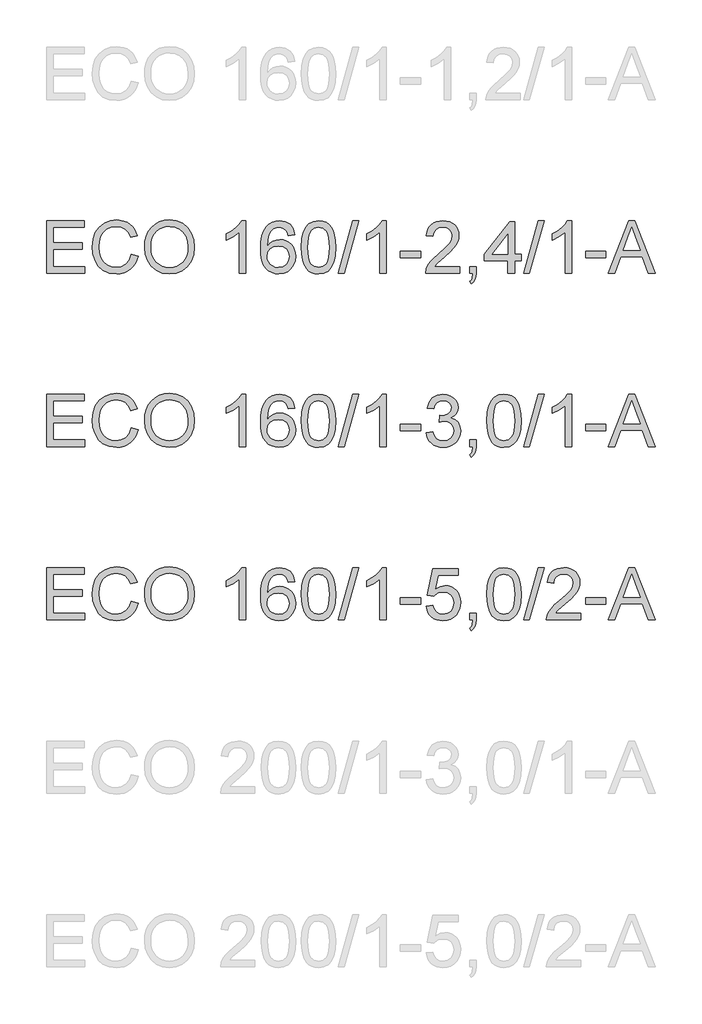
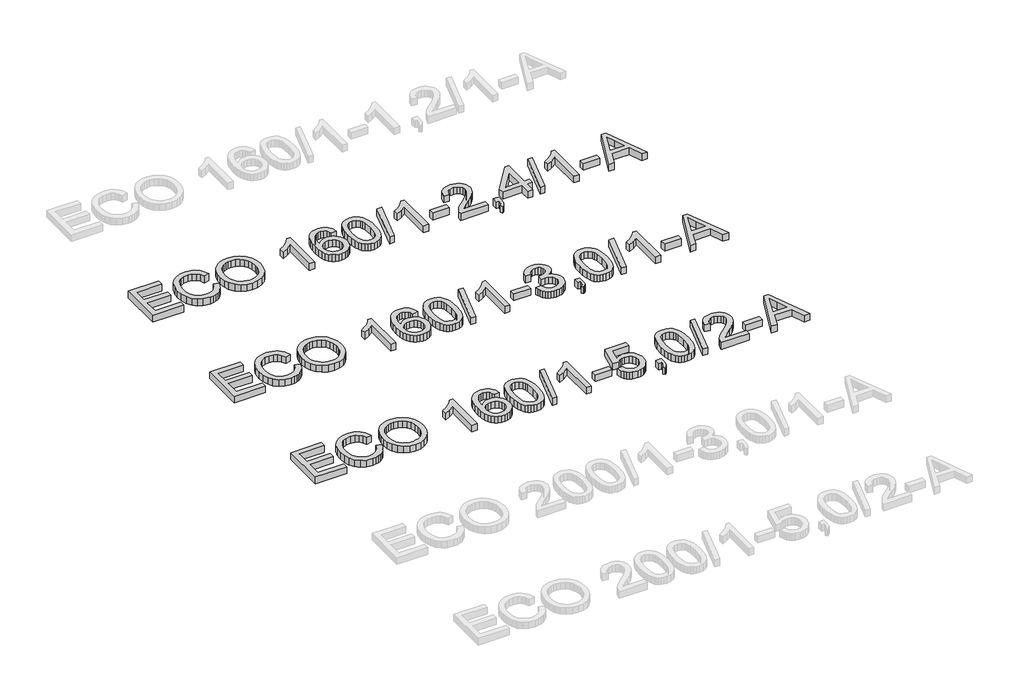
# One storey, part 35 of 74: 3 proxies.
"""IFC4 building model written with IfcOpenShell, lengths in millimetres."""

from ifc_helpers import new_model, si_unit, origin, origin_with_axes, place, context, project, spatial, polyline, outline, extrude, element, save

model = new_model("IFC4")

# Units and contexts
model_context = context("Model", 3, world=origin())
ifc_project = project(units=[si_unit("LENGTHUNIT", "METRE", prefix="MILLI")], contexts=[model_context])

# Site, building, storey
site = spatial("IfcSite", under=ifc_project)
building = spatial("IfcBuilding", under=site)
storey = spatial("IfcBuildingStorey", under=building, Elevation=0.0)

# Proxies
placement = place(None, origin())
element("IfcBuildingElementProxy", 1, Name="Generic Models", at=placement, inside=storey, context=model_context, shape_type="SweptSolid", body=[
    extrude(outline(polyline([(11765.719536, -4906.2904473), (11765.719536, -4604.9215169), (11982.3284547, -4604.9215169), (11982.3284547, -4642.5926332), (11803.3906523, -4642.5926332), (11803.3906523, -4732.0615344), (11972.9106757, -4732.0615344), (11972.9106757, -4769.7326507), (11803.3906523, -4769.7326507), (11803.3906523, -4868.619331), (11987.0373443, -4868.619331), (11987.0373443, -4906.2904473), (11765.719536, -4906.2904473)])), origin_with_axes(), (0.0, 0.0, 1.0), 50.0),
    extrude(outline(polyline([(12255.444048, -4799.1632103), (12293.1151643, -4808.875295), (12285.6609553, -4832.3024803), (12275.73274, -4852.7728141), (12263.3305182, -4870.2862963), (12248.4542901, -4884.842927), (12231.4397478, -4896.2863563), (12212.6225837, -4904.4602344), (12192.0027979, -4909.3645613), (12169.5803903, -4910.9993369), (12125.8852063, -4906.051324), (12091.1847371, -4891.2072855), (12064.5868689, -4866.9822562), (12045.1994877, -4833.8912707), (12033.3628845, -4794.9877497), (12029.4173501, -4753.3251137), (12033.8779193, -4709.3816094), (12047.2596269, -4671.4345816), (12068.8634971, -4640.6888439), (12097.990554, -4618.3492097), (12132.5346734, -4604.7467729), (12170.3897307, -4600.2126274), (12211.6936817, -4606.0803452), (12229.6624179, -4613.4149925), (12245.8423279, -4623.6834986), (12259.9666972, -4636.6145508), (12271.7688115, -4651.9368359), (12288.4062747, -4689.755105), (12250.7351584, -4698.7314257), (12237.6753476, -4671.2598377), (12219.8330708, -4652.4150825), (12196.9875989, -4641.5165784), (12168.9182027, -4637.8837437), (12136.5629812, -4641.9120515), (12109.9835071, -4653.996975), (12089.8143767, -4672.8693214), (12076.6901865, -4697.2598977), (12069.4888964, -4724.8326532), (12067.0884664, -4753.2515373), (12069.9303548, -4788.0531741), (12078.4560201, -4818.1459213), (12092.9873589, -4842.3801477), (12113.846268, -4859.6062222), (12138.8530466, -4869.897721), (12165.8279939, -4873.3282206), (12197.2727075, -4868.6561192), (12223.4751026, -4854.6398152), (12243.2579569, -4831.4264613), (12255.444048, -4799.1632103)])), origin_with_axes(), (0.0, 0.0, 1.0), 50.0),
    extrude(outline(polyline([(12330.7862806, -4759.5791077), (12333.2970752, -4724.2302465), (12340.829459, -4692.9372842), (12353.3834321, -4665.700221), (12370.9589944, -4642.5190568), (12392.5030838, -4624.0099939), (12416.9626379, -4610.7892347), (12444.3376569, -4602.8567792), (12474.6281407, -4600.2126274), (12514.1570611, -4605.1790343), (12549.6024913, -4620.0782551), (12579.0330509, -4643.8618261), (12600.5173594, -4675.4812836), (12613.6507467, -4713.4099173), (12618.0285424, -4756.1210169), (12613.4208204, -4799.4023336), (12599.5976544, -4837.8643962), (12577.3223996, -4869.539036), (12547.3584111, -4892.4580843), (12512.2164835, -4906.3640237), (12474.4074115, -4910.9993369), (12434.2714858, -4905.8765801), (12398.6237205, -4890.5083097), (12369.2667373, -4866.2832804), (12348.0031579, -4834.5902465), (12335.0904999, -4798.1239437), (12330.7862806, -4759.5791077)]), holes=[polyline([(12368.4573969, -4759.9469897), (12370.3404928, -4784.9215786), (12375.9897807, -4807.0910673), (12385.4052605, -4826.4554559), (12398.5869323, -4843.0147442), (12414.6104924, -4856.2768901), (12432.5516375, -4865.7498515), (12452.4103674, -4871.4336283), (12474.1866823, -4873.3282206), (12496.3354777, -4871.4152342), (12516.4287324, -4865.6762751), (12534.4664465, -4856.1113432), (12550.4486199, -4842.7204386), (12563.5337226, -4825.8116624), (12572.8802245, -4805.6931158), (12578.4881257, -4782.3647987), (12580.3574261, -4755.8267113), (12577.1568527, -4722.4782085), (12567.5551327, -4693.6546541), (12551.8005862, -4670.0826153), (12530.1415338, -4652.4886589), (12504.0127151, -4641.5349725), (12474.8488699, -4637.8837437), (12453.8290124, -4639.6426794), (12434.3266681, -4644.9194868), (12416.3418371, -4653.7141658), (12399.8745193, -4666.0267163), (12386.1295282, -4682.4503481), (12376.3116775, -4703.5782709), (12370.420967, -4729.4104848), (12368.4573969, -4759.9469897)])]), origin_with_axes(), (0.0, 0.0, 1.0), 50.0),
    extrude(outline(polyline([(12914.6885833, -4906.2904473), (12877.017467, -4906.2904473), (12877.017467, -4671.4345816), (12841.3329135, -4696.8552275), (12801.6752344, -4715.8747266), (12801.6752344, -4680.2637495), (12831.2621439, -4664.1689122), (12856.8943219, -4645.0206544), (12877.1002405, -4624.6583859), (12890.4083716, -4604.9215169), (12914.6885833, -4604.9215169), (12914.6885833, -4906.2904473)])), origin_with_axes(), (0.0, 0.0, 1.0), 50.0),
    extrude(outline(polyline([(13197.2219556, -4684.972639), (13159.5508393, -4689.6815286), (13153.4807864, -4671.0115173), (13145.2770179, -4658.2644062), (13128.1888992, -4646.5105764), (13107.5323252, -4642.5926332), (13090.0211422, -4644.8735016), (13073.5400288, -4651.7161067), (13059.3857691, -4666.1278838), (13047.8250774, -4685.9659204), (13040.016782, -4714.0261196), (13037.1197113, -4753.1043845), (13052.2304643, -4735.4736399), (13070.3394555, -4723.0484255), (13090.4350095, -4715.6815886), (13111.5054507, -4713.2259763), (13129.6052449, -4714.9044379), (13146.3070875, -4719.9398227), (13161.6109785, -4728.3321307), (13175.5169179, -4740.0813619), (13187.0730111, -4754.4885406), (13195.3273633, -4770.8546908), (13200.2799747, -4789.1798127), (13201.9308451, -4809.4639062), (13198.8222423, -4836.4388535), (13189.4964337, -4861.4456321), (13174.7259716, -4882.6540292), (13155.2834082, -4898.2338316), (13132.0516602, -4907.8079606), (13105.9136444, -4910.9993369), (13083.4567479, -4908.8840154), (13063.1749536, -4902.538051), (13045.0682617, -4891.9614436), (13029.136672, -4877.1541933), (13016.1481383, -4857.4909007), (13006.8706143, -4832.3461663), (13001.3040998, -4801.7199902), (12999.448595, -4765.6123724), (13001.5087342, -4725.1315573), (13007.6891517, -4690.5828395), (13017.9898476, -4661.9662188), (13032.4108218, -4639.2816952), (13048.041208, -4624.2491172), (13066.1639948, -4613.5115615), (13086.7791821, -4607.069028), (13109.88677, -4604.9215169), (13142.9409672, -4610.2374117), (13169.4100768, -4626.1850962), (13187.9513293, -4651.5137716), (13197.2219556, -4684.972639)]), holes=[polyline([(13037.1197113, -4808.875295), (13039.2994121, -4825.5679405), (13045.8385146, -4841.506428), (13055.9920577, -4855.2100323), (13069.0150803, -4865.1980285), (13084.7328385, -4871.2956725), (13102.9705884, -4873.3282206), (13127.8302143, -4869.1159717), (13147.3739453, -4856.4792252), (13160.0382829, -4836.6135975), (13164.2597288, -4810.714705), (13160.0934652, -4785.8550792), (13147.5946745, -4766.8999594), (13127.7198497, -4754.8978093), (13101.4254841, -4750.8970926), (13076.6026464, -4754.8978093), (13055.8449049, -4766.8999594), (13041.8010097, -4785.3952267), (13037.1197113, -4808.875295)])]), origin_with_axes(), (0.0, 0.0, 1.0), 50.0),
    extrude(outline(polyline([(13234.8930719, -4758.0340033), (13237.6613839, -4709.7954767), (13245.96632, -4671.324217), (13259.7251066, -4642.0316132), (13278.8549703, -4621.3290539), (13303.493867, -4609.0234011), (13333.7797522, -4604.9215169), (13356.9931061, -4607.3495381), (13377.7784388, -4614.6336016), (13395.1608631, -4626.4885989), (13408.1654916, -4642.6294214), (13417.9879409, -4662.9181134), (13425.8238274, -4687.2167192), (13430.9557812, -4718.0728216), (13432.6664325, -4758.0340033), (13429.9257117, -4805.9966184), (13421.7035491, -4844.3759076), (13408.0275359, -4873.6961026), (13388.9252633, -4894.4814353), (13364.2311844, -4906.8698615), (13333.7797522, -4910.9993369), (13313.0312077, -4909.2059122), (13294.6371079, -4903.825638), (13278.5974529, -4894.8585143), (13264.9122427, -4882.3045413), (13251.7788555, -4859.6108207), (13242.3978646, -4831.3344908), (13236.7692701, -4797.4755517), (13234.8930719, -4758.0340033)]), holes=[polyline([(13272.5641882, -4757.9604269), (13276.9787722, -4817.2170193), (13282.4970021, -4837.4850179), (13290.222524, -4851.5128183), (13309.9409989, -4867.87437), (13333.7797522, -4873.3282206), (13357.6185055, -4867.8559759), (13377.3369805, -4851.4392419), (13385.0625023, -4837.3884489), (13390.5807323, -4817.1250488), (13394.9953162, -4757.9604269), (13390.7278851, -4700.0374067), (13385.3935961, -4679.8360867), (13377.9255916, -4665.4748933), (13358.2439049, -4648.3131982), (13333.3382938, -4642.5926332), (13309.7570579, -4647.6326165), (13290.8111352, -4662.7525665), (13282.8280959, -4678.3875513), (13277.125925, -4699.4671897), (13272.5641882, -4757.9604269)])]), origin_with_axes(), (0.0, 0.0, 1.0), 50.0),
    extrude(outline(polyline([(13446.7931011, -4906.2904473), (13531.5531128, -4604.9215169), (13565.5454092, -4604.9215169), (13480.7853975, -4906.2904473), (13446.7931011, -4906.2904473)])), origin_with_axes(), (0.0, 0.0, 1.0), 50.0),
    extrude(outline(polyline([(13724.6175839, -4906.2904473), (13686.9464676, -4906.2904473), (13686.9464676, -4671.4345816), (13651.2619141, -4696.8552275), (13611.604235, -4715.8747266), (13611.604235, -4680.2637495), (13641.1911444, -4664.1689122), (13666.8233225, -4645.0206544), (13687.029241, -4624.6583859), (13700.3373722, -4604.9215169), (13724.6175839, -4604.9215169), (13724.6175839, -4906.2904473)])), origin_with_axes(), (0.0, 0.0, 1.0), 50.0),
    extrude(outline(polyline([(13804.668706, -4816.8215461), (13804.668706, -4779.1504298), (13922.3909445, -4779.1504298), (13922.3909445, -4816.8215461), (13804.668706, -4816.8215461)])), origin_with_axes(), (0.0, 0.0, 1.0), 50.0),
    extrude(outline(polyline([(14148.4176423, -4868.619331), (14148.4176423, -4906.2904473), (13950.6442817, -4906.2904473), (13954.6909837, -4880.3179785), (13963.9800041, -4860.0200894), (13977.5732438, -4840.3292056), (13997.2365364, -4819.7186168), (14024.7357156, -4796.6616128), (14065.386676, -4760.553995), (14089.7772523, -4733.9009444), (14101.9725404, -4712.2694831), (14106.0376365, -4691.226633), (14102.2024667, -4672.3634837), (14090.6969573, -4656.6825136), (14073.0110304, -4646.1151033), (14050.634608, -4642.5926332), (14027.1361456, -4646.0323299), (14008.8800016, -4656.3514198), (13997.0985807, -4672.7405627), (13993.0242876, -4694.3904181), (13955.3531713, -4689.6815286), (13964.4858418, -4653.242817), (13973.0322004, -4638.7068796), (13984.2319079, -4626.6265546), (13997.8274469, -4617.1306006), (14013.5613, -4610.3477763), (14051.4439484, -4604.9215169), (14071.6337722, -4606.4298331), (14089.6025084, -4610.9547816), (14105.350157, -4618.4963625), (14118.8767181, -4629.0545758), (14129.7407333, -4641.8476722), (14137.5007441, -4656.0939024), (14142.1567506, -4671.7932666), (14143.7087528, -4688.9457646), (14142.0348897, -4706.9627853), (14137.0133005, -4724.6671063), (14128.1013592, -4742.67493), (14114.7564398, -4761.6024586), (14093.4836634, -4784.1996102), (14060.7881511, -4813.2163026), (14017.4516521, -4849.4526791), (14000.4555039, -4868.619331), (14148.4176423, -4868.619331)])), origin_with_axes(), (0.0, 0.0, 1.0), 50.0),
    extrude(outline(polyline([(14204.9243168, -4906.2904473), (14204.9243168, -4868.619331), (14242.5954331, -4868.619331), (14242.5954331, -4906.2904473), (14240.9031759, -4927.8391352), (14235.8264044, -4944.8076922), (14227.0708129, -4957.8215178), (14214.3420959, -4967.5060113), (14204.9243168, -4953.3793427), (14213.0912971, -4946.5551317), (14218.7566798, -4937.1189585), (14223.6862986, -4906.2904473), (14204.9243168, -4906.2904473)])), origin_with_axes(), (0.0, 0.0, 1.0), 50.0),
    extrude(outline(polyline([(14426.2421251, -4906.2904473), (14426.2421251, -4835.6571043), (14289.6843285, -4835.6571043), (14289.6843285, -4797.985988), (14435.6599042, -4609.6304064), (14463.9132414, -4609.6304064), (14463.9132414, -4797.985988), (14501.5843577, -4797.985988), (14501.5843577, -4835.6571043), (14463.9132414, -4835.6571043), (14463.9132414, -4906.2904473), (14426.2421251, -4906.2904473)]), holes=[polyline([(14426.2421251, -4797.985988), (14426.2421251, -4681.5881247), (14336.0374599, -4797.985988), (14426.2421251, -4797.985988)])]), origin_with_axes(), (0.0, 0.0, 1.0), 50.0),
    extrude(outline(polyline([(14515.7110263, -4906.2904473), (14600.471038, -4604.9215169), (14634.4633344, -4604.9215169), (14549.7033227, -4906.2904473), (14515.7110263, -4906.2904473)])), origin_with_axes(), (0.0, 0.0, 1.0), 50.0),
    extrude(outline(polyline([(14793.5355091, -4906.2904473), (14755.8643928, -4906.2904473), (14755.8643928, -4671.4345816), (14720.1798392, -4696.8552275), (14680.5221602, -4715.8747266), (14680.5221602, -4680.2637495), (14710.1090696, -4664.1689122), (14735.7412476, -4645.0206544), (14755.9471662, -4624.6583859), (14769.2552974, -4604.9215169), (14793.5355091, -4604.9215169), (14793.5355091, -4906.2904473)])), origin_with_axes(), (0.0, 0.0, 1.0), 50.0),
    extrude(outline(polyline([(14873.5866312, -4816.8215461), (14873.5866312, -4779.1504298), (14991.3088697, -4779.1504298), (14991.3088697, -4816.8215461), (14873.5866312, -4816.8215461)])), origin_with_axes(), (0.0, 0.0, 1.0), 50.0),
    extrude(outline(polyline([(15003.3018227, -4906.2904473), (15123.5992352, -4604.9215169), (15155.6785451, -4604.9215169), (15275.9759576, -4906.2904473), (15236.1711257, -4906.2904473), (15201.6637945, -4812.1126566), (15077.5404094, -4812.1126566), (15043.1066546, -4906.2904473), (15003.3018227, -4906.2904473)]), holes=[polyline([(15091.3727724, -4774.4415403), (15187.9050079, -4774.4415403), (15160.7553167, -4700.3501064), (15139.6388901, -4642.5926332), (15120.8769084, -4693.8753833), (15091.3727724, -4774.4415403)])]), origin_with_axes(), (0.0, 0.0, 1.0), 50.0),
])
element("IfcBuildingElementProxy", 2, Name="Generic Models", at=placement, inside=storey, context=model_context, shape_type="SweptSolid", body=[
    extrude(outline(polyline([(11765.719536, -5906.2904473), (11765.719536, -5604.9215169), (11982.3284547, -5604.9215169), (11982.3284547, -5642.5926332), (11803.3906523, -5642.5926332), (11803.3906523, -5732.0615344), (11972.9106757, -5732.0615344), (11972.9106757, -5769.7326507), (11803.3906523, -5769.7326507), (11803.3906523, -5868.619331), (11987.0373443, -5868.619331), (11987.0373443, -5906.2904473), (11765.719536, -5906.2904473)])), origin_with_axes(), (0.0, 0.0, 1.0), 50.0),
    extrude(outline(polyline([(12255.444048, -5799.1632103), (12293.1151643, -5808.875295), (12285.6609553, -5832.3024803), (12275.73274, -5852.7728141), (12263.3305182, -5870.2862963), (12248.4542901, -5884.842927), (12231.4397478, -5896.2863563), (12212.6225837, -5904.4602344), (12192.0027979, -5909.3645613), (12169.5803903, -5910.9993369), (12125.8852063, -5906.051324), (12091.1847371, -5891.2072855), (12064.5868689, -5866.9822562), (12045.1994877, -5833.8912707), (12033.3628845, -5794.9877497), (12029.4173501, -5753.3251137), (12033.8779193, -5709.3816094), (12047.2596269, -5671.4345816), (12068.8634971, -5640.6888439), (12097.990554, -5618.3492097), (12132.5346734, -5604.7467729), (12170.3897307, -5600.2126274), (12211.6936817, -5606.0803452), (12229.6624179, -5613.4149925), (12245.8423279, -5623.6834986), (12259.9666972, -5636.6145508), (12271.7688115, -5651.9368359), (12288.4062747, -5689.755105), (12250.7351584, -5698.7314257), (12237.6753476, -5671.2598377), (12219.8330708, -5652.4150825), (12196.9875989, -5641.5165784), (12168.9182027, -5637.8837437), (12136.5629812, -5641.9120515), (12109.9835071, -5653.996975), (12089.8143767, -5672.8693214), (12076.6901865, -5697.2598977), (12069.4888964, -5724.8326532), (12067.0884664, -5753.2515373), (12069.9303548, -5788.0531741), (12078.4560201, -5818.1459213), (12092.9873589, -5842.3801477), (12113.846268, -5859.6062222), (12138.8530466, -5869.897721), (12165.8279939, -5873.3282206), (12197.2727075, -5868.6561192), (12223.4751026, -5854.6398152), (12243.2579569, -5831.4264613), (12255.444048, -5799.1632103)])), origin_with_axes(), (0.0, 0.0, 1.0), 50.0),
    extrude(outline(polyline([(12330.7862806, -5759.5791077), (12333.2970752, -5724.2302465), (12340.829459, -5692.9372842), (12353.3834321, -5665.700221), (12370.9589944, -5642.5190568), (12392.5030838, -5624.0099939), (12416.9626379, -5610.7892347), (12444.3376569, -5602.8567792), (12474.6281407, -5600.2126274), (12514.1570611, -5605.1790343), (12549.6024913, -5620.0782551), (12579.0330509, -5643.8618261), (12600.5173594, -5675.4812836), (12613.6507467, -5713.4099173), (12618.0285424, -5756.1210169), (12613.4208204, -5799.4023336), (12599.5976544, -5837.8643962), (12577.3223996, -5869.539036), (12547.3584111, -5892.4580843), (12512.2164835, -5906.3640237), (12474.4074115, -5910.9993369), (12434.2714858, -5905.8765801), (12398.6237205, -5890.5083097), (12369.2667373, -5866.2832804), (12348.0031579, -5834.5902465), (12335.0904999, -5798.1239437), (12330.7862806, -5759.5791077)]), holes=[polyline([(12368.4573969, -5759.9469897), (12370.3404928, -5784.9215786), (12375.9897807, -5807.0910673), (12385.4052605, -5826.4554559), (12398.5869323, -5843.0147442), (12414.6104924, -5856.2768901), (12432.5516375, -5865.7498515), (12452.4103674, -5871.4336283), (12474.1866823, -5873.3282206), (12496.3354777, -5871.4152342), (12516.4287324, -5865.6762751), (12534.4664465, -5856.1113432), (12550.4486199, -5842.7204386), (12563.5337226, -5825.8116624), (12572.8802245, -5805.6931158), (12578.4881257, -5782.3647987), (12580.3574261, -5755.8267113), (12577.1568527, -5722.4782085), (12567.5551327, -5693.6546541), (12551.8005862, -5670.0826153), (12530.1415338, -5652.4886589), (12504.0127151, -5641.5349725), (12474.8488699, -5637.8837437), (12453.8290124, -5639.6426794), (12434.3266681, -5644.9194868), (12416.3418371, -5653.7141658), (12399.8745193, -5666.0267163), (12386.1295282, -5682.4503481), (12376.3116775, -5703.5782709), (12370.420967, -5729.4104848), (12368.4573969, -5759.9469897)])]), origin_with_axes(), (0.0, 0.0, 1.0), 50.0),
    extrude(outline(polyline([(12914.6885833, -5906.2904473), (12877.017467, -5906.2904473), (12877.017467, -5671.4345816), (12841.3329135, -5696.8552275), (12801.6752344, -5715.8747266), (12801.6752344, -5680.2637495), (12831.2621439, -5664.1689122), (12856.8943219, -5645.0206544), (12877.1002405, -5624.6583859), (12890.4083716, -5604.9215169), (12914.6885833, -5604.9215169), (12914.6885833, -5906.2904473)])), origin_with_axes(), (0.0, 0.0, 1.0), 50.0),
    extrude(outline(polyline([(13197.2219556, -5684.972639), (13159.5508393, -5689.6815286), (13153.4807864, -5671.0115173), (13145.2770179, -5658.2644062), (13128.1888992, -5646.5105764), (13107.5323252, -5642.5926332), (13090.0211422, -5644.8735016), (13073.5400288, -5651.7161067), (13059.3857691, -5666.1278838), (13047.8250774, -5685.9659204), (13040.016782, -5714.0261196), (13037.1197113, -5753.1043845), (13052.2304643, -5735.4736399), (13070.3394555, -5723.0484255), (13090.4350095, -5715.6815886), (13111.5054507, -5713.2259763), (13129.6052449, -5714.9044379), (13146.3070875, -5719.9398227), (13161.6109785, -5728.3321307), (13175.5169179, -5740.0813619), (13187.0730111, -5754.4885406), (13195.3273633, -5770.8546908), (13200.2799747, -5789.1798127), (13201.9308451, -5809.4639062), (13198.8222423, -5836.4388535), (13189.4964337, -5861.4456321), (13174.7259716, -5882.6540292), (13155.2834082, -5898.2338316), (13132.0516602, -5907.8079606), (13105.9136444, -5910.9993369), (13083.4567479, -5908.8840154), (13063.1749536, -5902.538051), (13045.0682617, -5891.9614436), (13029.136672, -5877.1541933), (13016.1481383, -5857.4909007), (13006.8706143, -5832.3461663), (13001.3040998, -5801.7199902), (12999.448595, -5765.6123724), (13001.5087342, -5725.1315573), (13007.6891517, -5690.5828395), (13017.9898476, -5661.9662188), (13032.4108218, -5639.2816952), (13048.041208, -5624.2491172), (13066.1639948, -5613.5115615), (13086.7791821, -5607.069028), (13109.88677, -5604.9215169), (13142.9409672, -5610.2374117), (13169.4100768, -5626.1850962), (13187.9513293, -5651.5137716), (13197.2219556, -5684.972639)]), holes=[polyline([(13037.1197113, -5808.875295), (13039.2994121, -5825.5679405), (13045.8385146, -5841.506428), (13055.9920577, -5855.2100323), (13069.0150803, -5865.1980285), (13084.7328385, -5871.2956725), (13102.9705884, -5873.3282206), (13127.8302143, -5869.1159717), (13147.3739453, -5856.4792252), (13160.0382829, -5836.6135975), (13164.2597288, -5810.714705), (13160.0934652, -5785.8550792), (13147.5946745, -5766.8999594), (13127.7198497, -5754.8978093), (13101.4254841, -5750.8970926), (13076.6026464, -5754.8978093), (13055.8449049, -5766.8999594), (13041.8010097, -5785.3952267), (13037.1197113, -5808.875295)])]), origin_with_axes(), (0.0, 0.0, 1.0), 50.0),
    extrude(outline(polyline([(13234.8930719, -5758.0340033), (13237.6613839, -5709.7954767), (13245.96632, -5671.324217), (13259.7251066, -5642.0316132), (13278.8549703, -5621.3290539), (13303.493867, -5609.0234011), (13333.7797522, -5604.9215169), (13356.9931061, -5607.3495381), (13377.7784388, -5614.6336016), (13395.1608631, -5626.4885989), (13408.1654916, -5642.6294214), (13417.9879409, -5662.9181134), (13425.8238274, -5687.2167192), (13430.9557812, -5718.0728216), (13432.6664325, -5758.0340033), (13429.9257117, -5805.9966184), (13421.7035491, -5844.3759076), (13408.0275359, -5873.6961026), (13388.9252633, -5894.4814353), (13364.2311844, -5906.8698615), (13333.7797522, -5910.9993369), (13313.0312077, -5909.2059122), (13294.6371079, -5903.825638), (13278.5974529, -5894.8585143), (13264.9122427, -5882.3045413), (13251.7788555, -5859.6108207), (13242.3978646, -5831.3344908), (13236.7692701, -5797.4755517), (13234.8930719, -5758.0340033)]), holes=[polyline([(13272.5641882, -5757.9604269), (13276.9787722, -5817.2170193), (13282.4970021, -5837.4850179), (13290.222524, -5851.5128183), (13309.9409989, -5867.87437), (13333.7797522, -5873.3282206), (13357.6185055, -5867.8559759), (13377.3369805, -5851.4392419), (13385.0625023, -5837.3884489), (13390.5807323, -5817.1250488), (13394.9953162, -5757.9604269), (13390.7278851, -5700.0374067), (13385.3935961, -5679.8360867), (13377.9255916, -5665.4748933), (13358.2439049, -5648.3131982), (13333.3382938, -5642.5926332), (13309.7570579, -5647.6326165), (13290.8111352, -5662.7525665), (13282.8280959, -5678.3875513), (13277.125925, -5699.4671897), (13272.5641882, -5757.9604269)])]), origin_with_axes(), (0.0, 0.0, 1.0), 50.0),
    extrude(outline(polyline([(13446.7931011, -5906.2904473), (13531.5531128, -5604.9215169), (13565.5454092, -5604.9215169), (13480.7853975, -5906.2904473), (13446.7931011, -5906.2904473)])), origin_with_axes(), (0.0, 0.0, 1.0), 50.0),
    extrude(outline(polyline([(13724.6175839, -5906.2904473), (13686.9464676, -5906.2904473), (13686.9464676, -5671.4345816), (13651.2619141, -5696.8552275), (13611.604235, -5715.8747266), (13611.604235, -5680.2637495), (13641.1911444, -5664.1689122), (13666.8233225, -5645.0206544), (13687.029241, -5624.6583859), (13700.3373722, -5604.9215169), (13724.6175839, -5604.9215169), (13724.6175839, -5906.2904473)])), origin_with_axes(), (0.0, 0.0, 1.0), 50.0),
    extrude(outline(polyline([(13804.668706, -5816.8215461), (13804.668706, -5779.1504298), (13922.3909445, -5779.1504298), (13922.3909445, -5816.8215461), (13804.668706, -5816.8215461)])), origin_with_axes(), (0.0, 0.0, 1.0), 50.0),
    extrude(outline(polyline([(13955.3531713, -5826.2393252), (13993.0242876, -5821.5304357), (14001.4579823, -5845.203642), (14013.8096203, -5861.1881147), (14030.6862068, -5870.2931941), (14052.6947472, -5873.3282206), (14078.5200633, -5869.1527599), (14098.4592674, -5856.626378), (14111.2063785, -5837.9379726), (14115.4554156, -5815.2764417), (14111.2431667, -5793.7645421), (14098.6064202, -5776.3177384), (14079.4765564, -5764.7570467), (14055.784956, -5760.9034828), (14029.3710287, -5765.0237612), (14033.5648834, -5727.3526449), (14039.5981482, -5727.7941033), (14062.1677086, -5725.0901706), (14082.346036, -5716.9783726), (14096.5830692, -5703.2563742), (14101.328747, -5683.7218403), (14097.8890503, -5667.452259), (14087.5699603, -5654.2544924), (14071.8246109, -5645.508098), (14052.106136, -5642.5926332), (14032.3508729, -5645.5356892), (14016.2008533, -5654.364857), (14004.4102353, -5669.0801369), (13997.7331771, -5689.6815286), (13960.0620608, -5684.972639), (13971.153703, -5651.1458896), (13990.890572, -5625.8907906), (14017.8931105, -5610.1638353), (14050.7817608, -5604.9215169), (14074.4641643, -5607.5058879), (14096.2151872, -5615.259001), (14114.5541047, -5627.4910773), (14128.0001916, -5643.5123382), (14136.2499454, -5661.9708173), (14138.9998633, -5681.5145483), (14136.3879011, -5699.724707), (14128.5520146, -5716.2426086), (14115.6025684, -5730.3140949), (14097.649927, -5741.1850079), (14121.2311629, -5750.7131516), (14138.7055577, -5766.9367476), (14149.5212883, -5788.9728791), (14153.1265319, -5815.9386293), (14151.3239101, -5835.050099), (14145.9160448, -5852.6532524), (14136.9029359, -5868.7480897), (14124.2845835, -5883.3346108), (14108.9117146, -5895.4379285), (14091.6350564, -5904.0831554), (14072.4546089, -5909.2702915), (14051.370372, -5910.9993369), (14032.3140847, -5909.5232104), (14014.9500545, -5905.0948309), (13999.2782815, -5897.7141983), (13985.2987657, -5887.3813128), (13973.5771256, -5874.7031795), (13964.6789798, -5860.2868038), (13958.6043284, -5844.1321857), (13955.3531713, -5826.2393252)])), origin_with_axes(), (0.0, 0.0, 1.0), 50.0),
    extrude(outline(polyline([(14204.9243168, -5906.2904473), (14204.9243168, -5868.619331), (14242.5954331, -5868.619331), (14242.5954331, -5906.2904473), (14240.9031759, -5927.8391352), (14235.8264044, -5944.8076922), (14227.0708129, -5957.8215178), (14214.3420959, -5967.5060113), (14204.9243168, -5953.3793427), (14213.0912971, -5946.5551317), (14218.7566798, -5937.1189585), (14223.6862986, -5906.2904473), (14204.9243168, -5906.2904473)])), origin_with_axes(), (0.0, 0.0, 1.0), 50.0),
    extrude(outline(polyline([(14303.8109971, -5758.0340033), (14306.5793091, -5709.7954767), (14314.8842452, -5671.324217), (14328.6430318, -5642.0316132), (14347.7728955, -5621.3290539), (14372.4117922, -5609.0234011), (14402.6976774, -5604.9215169), (14425.9110313, -5607.3495381), (14446.696364, -5614.6336016), (14464.0787883, -5626.4885989), (14477.0834168, -5642.6294214), (14486.9058661, -5662.9181134), (14494.7417526, -5687.2167192), (14499.8737064, -5718.0728216), (14501.5843577, -5758.0340033), (14498.8436368, -5805.9966184), (14490.6214743, -5844.3759076), (14476.9454611, -5873.6961026), (14457.8431885, -5894.4814353), (14433.1491096, -5906.8698615), (14402.6976774, -5910.9993369), (14381.9491329, -5909.2059122), (14363.5550331, -5903.825638), (14347.5153781, -5894.8585143), (14333.8301679, -5882.3045413), (14320.6967807, -5859.6108207), (14311.3157898, -5831.3344908), (14305.6871953, -5797.4755517), (14303.8109971, -5758.0340033)]), holes=[polyline([(14341.4821134, -5757.9604269), (14345.8966974, -5817.2170193), (14351.4149273, -5837.4850179), (14359.1404492, -5851.5128183), (14378.8589241, -5867.87437), (14402.6976774, -5873.3282206), (14426.5364307, -5867.8559759), (14446.2549056, -5851.4392419), (14453.9804275, -5837.3884489), (14459.4986575, -5817.1250488), (14463.9132414, -5757.9604269), (14459.6458103, -5700.0374067), (14454.3115213, -5679.8360867), (14446.8435168, -5665.4748933), (14427.1618301, -5648.3131982), (14402.256219, -5642.5926332), (14378.6749831, -5647.6326165), (14359.7290604, -5662.7525665), (14351.7460211, -5678.3875513), (14346.0438501, -5699.4671897), (14341.4821134, -5757.9604269)])]), origin_with_axes(), (0.0, 0.0, 1.0), 50.0),
    extrude(outline(polyline([(14515.7110263, -5906.2904473), (14600.471038, -5604.9215169), (14634.4633344, -5604.9215169), (14549.7033227, -5906.2904473), (14515.7110263, -5906.2904473)])), origin_with_axes(), (0.0, 0.0, 1.0), 50.0),
    extrude(outline(polyline([(14793.5355091, -5906.2904473), (14755.8643928, -5906.2904473), (14755.8643928, -5671.4345816), (14720.1798392, -5696.8552275), (14680.5221602, -5715.8747266), (14680.5221602, -5680.2637495), (14710.1090696, -5664.1689122), (14735.7412476, -5645.0206544), (14755.9471662, -5624.6583859), (14769.2552974, -5604.9215169), (14793.5355091, -5604.9215169), (14793.5355091, -5906.2904473)])), origin_with_axes(), (0.0, 0.0, 1.0), 50.0),
    extrude(outline(polyline([(14873.5866312, -5816.8215461), (14873.5866312, -5779.1504298), (14991.3088697, -5779.1504298), (14991.3088697, -5816.8215461), (14873.5866312, -5816.8215461)])), origin_with_axes(), (0.0, 0.0, 1.0), 50.0),
    extrude(outline(polyline([(15003.3018227, -5906.2904473), (15123.5992352, -5604.9215169), (15155.6785451, -5604.9215169), (15275.9759576, -5906.2904473), (15236.1711257, -5906.2904473), (15201.6637945, -5812.1126566), (15077.5404094, -5812.1126566), (15043.1066546, -5906.2904473), (15003.3018227, -5906.2904473)]), holes=[polyline([(15091.3727724, -5774.4415403), (15187.9050079, -5774.4415403), (15160.7553167, -5700.3501064), (15139.6388901, -5642.5926332), (15120.8769084, -5693.8753833), (15091.3727724, -5774.4415403)])]), origin_with_axes(), (0.0, 0.0, 1.0), 50.0),
])
element("IfcBuildingElementProxy", 3, Name="Generic Models", at=placement, inside=storey, context=model_context, shape_type="SweptSolid", body=[
    extrude(outline(polyline([(11765.719536, -6906.2904473), (11765.719536, -6604.9215169), (11982.3284547, -6604.9215169), (11982.3284547, -6642.5926332), (11803.3906523, -6642.5926332), (11803.3906523, -6732.0615344), (11972.9106757, -6732.0615344), (11972.9106757, -6769.7326507), (11803.3906523, -6769.7326507), (11803.3906523, -6868.619331), (11987.0373443, -6868.619331), (11987.0373443, -6906.2904473), (11765.719536, -6906.2904473)])), origin_with_axes(), (0.0, 0.0, 1.0), 50.0),
    extrude(outline(polyline([(12255.444048, -6799.1632103), (12293.1151643, -6808.875295), (12285.6609553, -6832.3024803), (12275.73274, -6852.7728141), (12263.3305182, -6870.2862963), (12248.4542901, -6884.842927), (12231.4397478, -6896.2863563), (12212.6225837, -6904.4602344), (12192.0027979, -6909.3645613), (12169.5803903, -6910.9993369), (12125.8852063, -6906.051324), (12091.1847371, -6891.2072855), (12064.5868689, -6866.9822562), (12045.1994877, -6833.8912707), (12033.3628845, -6794.9877497), (12029.4173501, -6753.3251137), (12033.8779193, -6709.3816094), (12047.2596269, -6671.4345816), (12068.8634971, -6640.6888439), (12097.990554, -6618.3492097), (12132.5346734, -6604.7467729), (12170.3897307, -6600.2126274), (12211.6936817, -6606.0803452), (12229.6624179, -6613.4149925), (12245.8423279, -6623.6834986), (12259.9666972, -6636.6145508), (12271.7688115, -6651.9368359), (12288.4062747, -6689.755105), (12250.7351584, -6698.7314257), (12237.6753476, -6671.2598377), (12219.8330708, -6652.4150825), (12196.9875989, -6641.5165784), (12168.9182027, -6637.8837437), (12136.5629812, -6641.9120515), (12109.9835071, -6653.996975), (12089.8143767, -6672.8693214), (12076.6901865, -6697.2598977), (12069.4888964, -6724.8326532), (12067.0884664, -6753.2515373), (12069.9303548, -6788.0531741), (12078.4560201, -6818.1459213), (12092.9873589, -6842.3801477), (12113.846268, -6859.6062222), (12138.8530466, -6869.897721), (12165.8279939, -6873.3282206), (12197.2727075, -6868.6561192), (12223.4751026, -6854.6398152), (12243.2579569, -6831.4264613), (12255.444048, -6799.1632103)])), origin_with_axes(), (0.0, 0.0, 1.0), 50.0),
    extrude(outline(polyline([(12330.7862806, -6759.5791077), (12333.2970752, -6724.2302465), (12340.829459, -6692.9372842), (12353.3834321, -6665.700221), (12370.9589944, -6642.5190568), (12392.5030838, -6624.0099939), (12416.9626379, -6610.7892347), (12444.3376569, -6602.8567792), (12474.6281407, -6600.2126274), (12514.1570611, -6605.1790343), (12549.6024913, -6620.0782551), (12579.0330509, -6643.8618261), (12600.5173594, -6675.4812836), (12613.6507467, -6713.4099173), (12618.0285424, -6756.1210169), (12613.4208204, -6799.4023336), (12599.5976544, -6837.8643962), (12577.3223996, -6869.539036), (12547.3584111, -6892.4580843), (12512.2164835, -6906.3640237), (12474.4074115, -6910.9993369), (12434.2714858, -6905.8765801), (12398.6237205, -6890.5083097), (12369.2667373, -6866.2832804), (12348.0031579, -6834.5902465), (12335.0904999, -6798.1239437), (12330.7862806, -6759.5791077)]), holes=[polyline([(12368.4573969, -6759.9469897), (12370.3404928, -6784.9215786), (12375.9897807, -6807.0910673), (12385.4052605, -6826.4554559), (12398.5869323, -6843.0147442), (12414.6104924, -6856.2768901), (12432.5516375, -6865.7498515), (12452.4103674, -6871.4336283), (12474.1866823, -6873.3282206), (12496.3354777, -6871.4152342), (12516.4287324, -6865.6762751), (12534.4664465, -6856.1113432), (12550.4486199, -6842.7204386), (12563.5337226, -6825.8116624), (12572.8802245, -6805.6931158), (12578.4881257, -6782.3647987), (12580.3574261, -6755.8267113), (12577.1568527, -6722.4782085), (12567.5551327, -6693.6546541), (12551.8005862, -6670.0826153), (12530.1415338, -6652.4886589), (12504.0127151, -6641.5349725), (12474.8488699, -6637.8837437), (12453.8290124, -6639.6426794), (12434.3266681, -6644.9194868), (12416.3418371, -6653.7141658), (12399.8745193, -6666.0267163), (12386.1295282, -6682.4503481), (12376.3116775, -6703.5782709), (12370.420967, -6729.4104848), (12368.4573969, -6759.9469897)])]), origin_with_axes(), (0.0, 0.0, 1.0), 50.0),
    extrude(outline(polyline([(12914.6885833, -6906.2904473), (12877.017467, -6906.2904473), (12877.017467, -6671.4345816), (12841.3329135, -6696.8552275), (12801.6752344, -6715.8747266), (12801.6752344, -6680.2637495), (12831.2621439, -6664.1689122), (12856.8943219, -6645.0206544), (12877.1002405, -6624.6583859), (12890.4083716, -6604.9215169), (12914.6885833, -6604.9215169), (12914.6885833, -6906.2904473)])), origin_with_axes(), (0.0, 0.0, 1.0), 50.0),
    extrude(outline(polyline([(13197.2219556, -6684.972639), (13159.5508393, -6689.6815286), (13153.4807864, -6671.0115173), (13145.2770179, -6658.2644062), (13128.1888992, -6646.5105764), (13107.5323252, -6642.5926332), (13090.0211422, -6644.8735016), (13073.5400288, -6651.7161067), (13059.3857691, -6666.1278838), (13047.8250774, -6685.9659204), (13040.016782, -6714.0261196), (13037.1197113, -6753.1043845), (13052.2304643, -6735.4736399), (13070.3394555, -6723.0484255), (13090.4350095, -6715.6815886), (13111.5054507, -6713.2259763), (13129.6052449, -6714.9044379), (13146.3070875, -6719.9398227), (13161.6109785, -6728.3321307), (13175.5169179, -6740.0813619), (13187.0730111, -6754.4885406), (13195.3273633, -6770.8546908), (13200.2799747, -6789.1798127), (13201.9308451, -6809.4639062), (13198.8222423, -6836.4388535), (13189.4964337, -6861.4456321), (13174.7259716, -6882.6540292), (13155.2834082, -6898.2338316), (13132.0516602, -6907.8079606), (13105.9136444, -6910.9993369), (13083.4567479, -6908.8840154), (13063.1749536, -6902.538051), (13045.0682617, -6891.9614436), (13029.136672, -6877.1541933), (13016.1481383, -6857.4909007), (13006.8706143, -6832.3461663), (13001.3040998, -6801.7199902), (12999.448595, -6765.6123724), (13001.5087342, -6725.1315573), (13007.6891517, -6690.5828395), (13017.9898476, -6661.9662188), (13032.4108218, -6639.2816952), (13048.041208, -6624.2491172), (13066.1639948, -6613.5115615), (13086.7791821, -6607.069028), (13109.88677, -6604.9215169), (13142.9409672, -6610.2374117), (13169.4100768, -6626.1850962), (13187.9513293, -6651.5137716), (13197.2219556, -6684.972639)]), holes=[polyline([(13037.1197113, -6808.875295), (13039.2994121, -6825.5679405), (13045.8385146, -6841.506428), (13055.9920577, -6855.2100323), (13069.0150803, -6865.1980285), (13084.7328385, -6871.2956725), (13102.9705884, -6873.3282206), (13127.8302143, -6869.1159717), (13147.3739453, -6856.4792252), (13160.0382829, -6836.6135975), (13164.2597288, -6810.714705), (13160.0934652, -6785.8550792), (13147.5946745, -6766.8999594), (13127.7198497, -6754.8978093), (13101.4254841, -6750.8970926), (13076.6026464, -6754.8978093), (13055.8449049, -6766.8999594), (13041.8010097, -6785.3952267), (13037.1197113, -6808.875295)])]), origin_with_axes(), (0.0, 0.0, 1.0), 50.0),
    extrude(outline(polyline([(13234.8930719, -6758.0340033), (13237.6613839, -6709.7954767), (13245.96632, -6671.324217), (13259.7251066, -6642.0316132), (13278.8549703, -6621.3290539), (13303.493867, -6609.0234011), (13333.7797522, -6604.9215169), (13356.9931061, -6607.3495381), (13377.7784388, -6614.6336016), (13395.1608631, -6626.4885989), (13408.1654916, -6642.6294214), (13417.9879409, -6662.9181134), (13425.8238274, -6687.2167192), (13430.9557812, -6718.0728216), (13432.6664325, -6758.0340033), (13429.9257117, -6805.9966184), (13421.7035491, -6844.3759076), (13408.0275359, -6873.6961026), (13388.9252633, -6894.4814353), (13364.2311844, -6906.8698615), (13333.7797522, -6910.9993369), (13313.0312077, -6909.2059122), (13294.6371079, -6903.825638), (13278.5974529, -6894.8585143), (13264.9122427, -6882.3045413), (13251.7788555, -6859.6108207), (13242.3978646, -6831.3344908), (13236.7692701, -6797.4755517), (13234.8930719, -6758.0340033)]), holes=[polyline([(13272.5641882, -6757.9604269), (13276.9787722, -6817.2170193), (13282.4970021, -6837.4850179), (13290.222524, -6851.5128183), (13309.9409989, -6867.87437), (13333.7797522, -6873.3282206), (13357.6185055, -6867.8559759), (13377.3369805, -6851.4392419), (13385.0625023, -6837.3884489), (13390.5807323, -6817.1250488), (13394.9953162, -6757.9604269), (13390.7278851, -6700.0374067), (13385.3935961, -6679.8360867), (13377.9255916, -6665.4748933), (13358.2439049, -6648.3131982), (13333.3382938, -6642.5926332), (13309.7570579, -6647.6326165), (13290.8111352, -6662.7525665), (13282.8280959, -6678.3875513), (13277.125925, -6699.4671897), (13272.5641882, -6757.9604269)])]), origin_with_axes(), (0.0, 0.0, 1.0), 50.0),
    extrude(outline(polyline([(13446.7931011, -6906.2904473), (13531.5531128, -6604.9215169), (13565.5454092, -6604.9215169), (13480.7853975, -6906.2904473), (13446.7931011, -6906.2904473)])), origin_with_axes(), (0.0, 0.0, 1.0), 50.0),
    extrude(outline(polyline([(13724.6175839, -6906.2904473), (13686.9464676, -6906.2904473), (13686.9464676, -6671.4345816), (13651.2619141, -6696.8552275), (13611.604235, -6715.8747266), (13611.604235, -6680.2637495), (13641.1911444, -6664.1689122), (13666.8233225, -6645.0206544), (13687.029241, -6624.6583859), (13700.3373722, -6604.9215169), (13724.6175839, -6604.9215169), (13724.6175839, -6906.2904473)])), origin_with_axes(), (0.0, 0.0, 1.0), 50.0),
    extrude(outline(polyline([(13804.668706, -6816.8215461), (13804.668706, -6779.1504298), (13922.3909445, -6779.1504298), (13922.3909445, -6816.8215461), (13804.668706, -6816.8215461)])), origin_with_axes(), (0.0, 0.0, 1.0), 50.0),
    extrude(outline(polyline([(13955.3531713, -6826.2393252), (13993.0242876, -6821.5304357), (13999.9404691, -6844.1459813), (14012.0069985, -6860.3419861), (14029.1686936, -6870.081662), (14051.370372, -6873.3282206), (14078.3729105, -6868.8124691), (14098.6064202, -6855.2652146), (14111.2431667, -6834.2499556), (14115.4554156, -6807.3301906), (14111.5098812, -6781.9831212), (14099.673278, -6762.59574), (14079.8536355, -6750.2900873), (14051.9589832, -6746.188203), (14033.6844451, -6747.8252779), (14018.8863918, -6752.7365026), (13997.7331771, -6769.7326507), (13960.0620608, -6765.0237612), (13993.0242876, -6609.6304064), (14138.9998633, -6609.6304064), (14138.9998633, -6647.3015227), (14023.4849168, -6647.3015227), (14007.3716854, -6730.2957008), (14034.2822533, -6713.9617403), (14062.4804083, -6708.5170867), (14080.8262235, -6710.2047454), (14097.6775182, -6715.2677213), (14113.0342922, -6723.7060146), (14126.8965456, -6735.5196252), (14138.3721646, -6749.9865846), (14146.5690353, -6766.3849246), (14151.4871577, -6784.714645), (14153.1265319, -6804.9757459), (14147.2220259, -6842.6468622), (14139.8413933, -6859.4406753), (14129.5085078, -6874.873325), (14113.8551289, -6890.6784552), (14095.5897878, -6901.9678339), (14074.7124846, -6908.7414611), (14051.2232192, -6910.9993369), (14014.2234876, -6905.1959984), (13998.5448168, -6897.9418253), (13984.7469427, -6887.785983), (13973.2667252, -6875.2343092), (13964.5410241, -6860.7926416), (13955.3531713, -6826.2393252)])), origin_with_axes(), (0.0, 0.0, 1.0), 50.0),
    extrude(outline(polyline([(14204.9243168, -6906.2904473), (14204.9243168, -6868.619331), (14242.5954331, -6868.619331), (14242.5954331, -6906.2904473), (14240.9031759, -6927.8391352), (14235.8264044, -6944.8076922), (14227.0708129, -6957.8215178), (14214.3420959, -6967.5060113), (14204.9243168, -6953.3793427), (14213.0912971, -6946.5551317), (14218.7566798, -6937.1189585), (14223.6862986, -6906.2904473), (14204.9243168, -6906.2904473)])), origin_with_axes(), (0.0, 0.0, 1.0), 50.0),
    extrude(outline(polyline([(14303.8109971, -6758.0340033), (14306.5793091, -6709.7954767), (14314.8842452, -6671.324217), (14328.6430318, -6642.0316132), (14347.7728955, -6621.3290539), (14372.4117922, -6609.0234011), (14402.6976774, -6604.9215169), (14425.9110313, -6607.3495381), (14446.696364, -6614.6336016), (14464.0787883, -6626.4885989), (14477.0834168, -6642.6294214), (14486.9058661, -6662.9181134), (14494.7417526, -6687.2167192), (14499.8737064, -6718.0728216), (14501.5843577, -6758.0340033), (14498.8436368, -6805.9966184), (14490.6214743, -6844.3759076), (14476.9454611, -6873.6961026), (14457.8431885, -6894.4814353), (14433.1491096, -6906.8698615), (14402.6976774, -6910.9993369), (14381.9491329, -6909.2059122), (14363.5550331, -6903.825638), (14347.5153781, -6894.8585143), (14333.8301679, -6882.3045413), (14320.6967807, -6859.6108207), (14311.3157898, -6831.3344908), (14305.6871953, -6797.4755517), (14303.8109971, -6758.0340033)]), holes=[polyline([(14341.4821134, -6757.9604269), (14345.8966974, -6817.2170193), (14351.4149273, -6837.4850179), (14359.1404492, -6851.5128183), (14378.8589241, -6867.87437), (14402.6976774, -6873.3282206), (14426.5364307, -6867.8559759), (14446.2549056, -6851.4392419), (14453.9804275, -6837.3884489), (14459.4986575, -6817.1250488), (14463.9132414, -6757.9604269), (14459.6458103, -6700.0374067), (14454.3115213, -6679.8360867), (14446.8435168, -6665.4748933), (14427.1618301, -6648.3131982), (14402.256219, -6642.5926332), (14378.6749831, -6647.6326165), (14359.7290604, -6662.7525665), (14351.7460211, -6678.3875513), (14346.0438501, -6699.4671897), (14341.4821134, -6757.9604269)])]), origin_with_axes(), (0.0, 0.0, 1.0), 50.0),
    extrude(outline(polyline([(14515.7110263, -6906.2904473), (14600.471038, -6604.9215169), (14634.4633344, -6604.9215169), (14549.7033227, -6906.2904473), (14515.7110263, -6906.2904473)])), origin_with_axes(), (0.0, 0.0, 1.0), 50.0),
    extrude(outline(polyline([(14845.333294, -6868.619331), (14845.333294, -6906.2904473), (14647.5599334, -6906.2904473), (14651.6066353, -6880.3179785), (14660.8956557, -6860.0200894), (14674.4888954, -6840.3292056), (14694.1521881, -6819.7186168), (14721.6513672, -6796.6616128), (14762.3023277, -6760.553995), (14786.692904, -6733.9009444), (14798.8881921, -6712.2694831), (14802.9532882, -6691.226633), (14799.1181184, -6672.3634837), (14787.612609, -6656.6825136), (14769.926682, -6646.1151033), (14747.5502597, -6642.5926332), (14724.0517972, -6646.0323299), (14705.7956532, -6656.3514198), (14694.0142323, -6672.7405627), (14689.9399392, -6694.3904181), (14652.2688229, -6689.6815286), (14661.4014935, -6653.242817), (14669.9478521, -6638.7068796), (14681.1475596, -6626.6265546), (14694.7430985, -6617.1306006), (14710.4769516, -6610.3477763), (14748.3596001, -6604.9215169), (14768.5494238, -6606.4298331), (14786.51816, -6610.9547816), (14802.2658087, -6618.4963625), (14815.7923698, -6629.0545758), (14826.656385, -6641.8476722), (14834.4163958, -6656.0939024), (14839.0724023, -6671.7932666), (14840.6244045, -6688.9457646), (14838.9505414, -6706.9627853), (14833.9289522, -6724.6671063), (14825.0170108, -6742.67493), (14811.6720914, -6761.6024586), (14790.3993151, -6784.1996102), (14757.7038028, -6813.2163026), (14714.3673037, -6849.4526791), (14697.3711555, -6868.619331), (14845.333294, -6868.619331)])), origin_with_axes(), (0.0, 0.0, 1.0), 50.0),
    extrude(outline(polyline([(14873.5866312, -6816.8215461), (14873.5866312, -6779.1504298), (14991.3088697, -6779.1504298), (14991.3088697, -6816.8215461), (14873.5866312, -6816.8215461)])), origin_with_axes(), (0.0, 0.0, 1.0), 50.0),
    extrude(outline(polyline([(15003.3018227, -6906.2904473), (15123.5992352, -6604.9215169), (15155.6785451, -6604.9215169), (15275.9759576, -6906.2904473), (15236.1711257, -6906.2904473), (15201.6637945, -6812.1126566), (15077.5404094, -6812.1126566), (15043.1066546, -6906.2904473), (15003.3018227, -6906.2904473)]), holes=[polyline([(15091.3727724, -6774.4415403), (15187.9050079, -6774.4415403), (15160.7553167, -6700.3501064), (15139.6388901, -6642.5926332), (15120.8769084, -6693.8753833), (15091.3727724, -6774.4415403)])]), origin_with_axes(), (0.0, 0.0, 1.0), 50.0),
])

save(model, "model.ifc")
